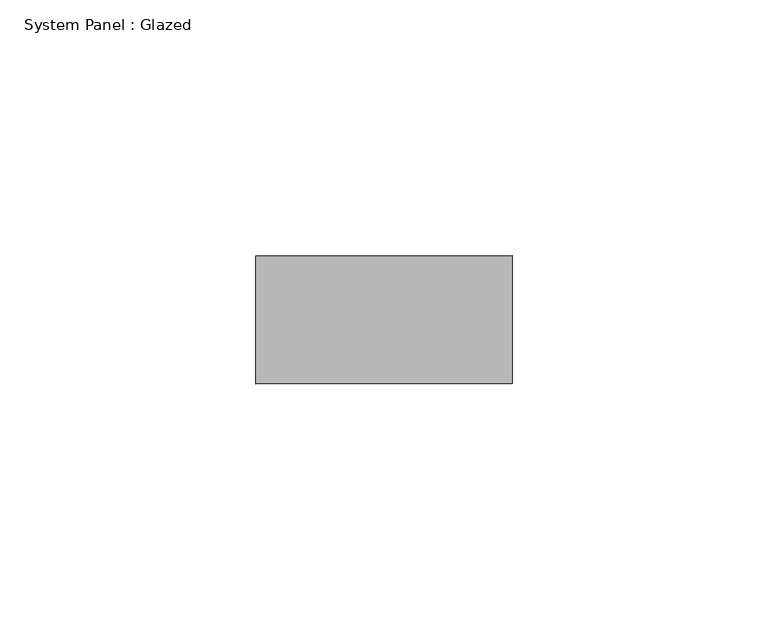
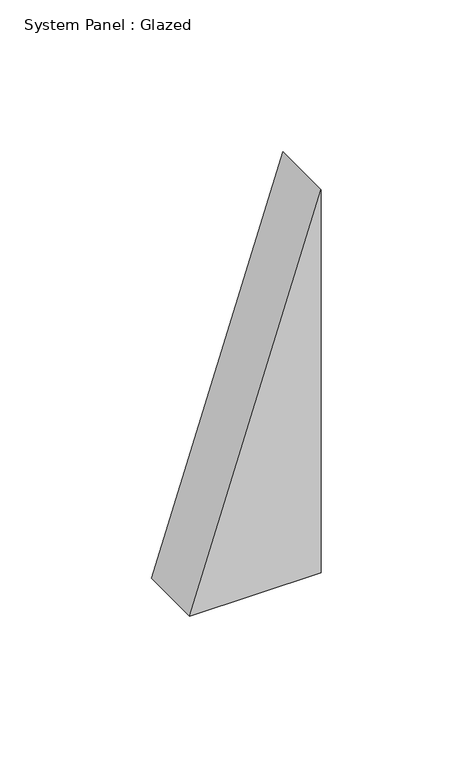
"""IFC4 building model written with IfcOpenShell, lengths in millimetres: plate geometry, System Panel : Glazed."""

from ifc_helpers import new_model, si_unit, frame, origin, place, context, project, spatial, polyline, outline, extrude, source, transform, mapped, element, save


def system_panel_glazed_234d9f8a(model_context):
    return source(origin(), model_context, "Body", "SweptSolid", [
        extrude(outline(polyline([(0.0, -25.0000002), (0.0, 25.0000002), (153.8461548, 25.0000002), (0.0, -25.0000002)])), frame((0.0, 24.5, 0.0), z_axis=(0.0, 1.0, 0.0), x_axis=(0.0, 0.0, 1.0)), (0.0, 0.0, 1.0), 25.0),
    ])


if __name__ == "__main__":
    model = new_model("IFC4")
    model_context = context("Model", 3, world=origin())
    ifc_project = project(units=[si_unit("LENGTHUNIT", "METRE", prefix="MILLI")], contexts=[model_context])
    site = spatial("IfcSite", under=ifc_project)
    building = spatial("IfcBuilding", under=site)
    placement = place(None, origin())
    system_panel_glazed_shape = system_panel_glazed_234d9f8a(model_context)
    element("IfcPlate", 1, ObjectType="System Panel : Glazed", at=placement, inside=building, context=model_context, shape_type="MappedRepresentation", body=[
        mapped(system_panel_glazed_shape, transform((0.0, 0.0, 0.0), x_axis=(1.0, 0.0, 0.0), y_axis=(0.0, 1.0, 0.0), z_axis=(0.0, 0.0, 1.0))),
    ])
    save(model, "model.ifc")
